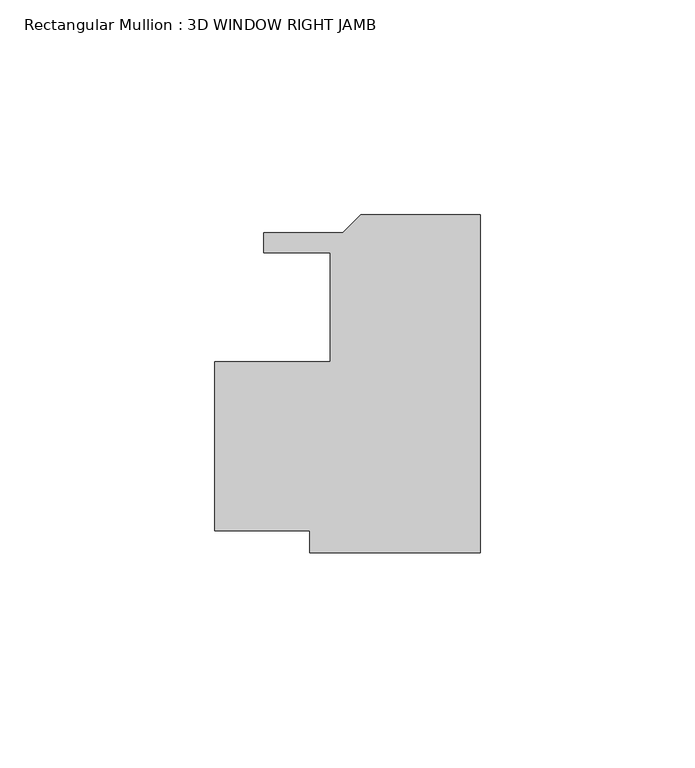
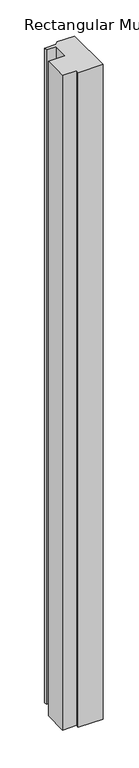
"""IFC4 building model written with IfcOpenShell, lengths in millimetres: member geometry, Rectangular Mullion : 3D WINDOW RIGHT JAMB."""

from ifc_helpers import new_model, si_unit, frame, origin, place, context, project, spatial, polyline, outline, extrude, source, transform, mapped, element, save


def rectangular_mullion_3d_window_right_jamb_41fe2dea(model_context):
    return source(origin(), model_context, "Body", "SweptSolid", [
        extrude(outline(polyline([(0.0, -57.1388465), (-39.7006057, -57.1388465), (-39.7006057, -52.0588038), (-61.9125, -52.0588038), (-61.9125, -12.6888039), (-34.9381058, -12.6888039), (-34.9381058, 12.7111961), (-50.4261495, 12.7111961), (-50.4261495, 17.4101962), (-32.0436417, 17.4101962), (-27.7764417, 21.6773962), (0.0, 21.6773962), (0.0, -57.1388465)])), frame((0.0, 0.0, -1106.4815559), z_axis=(0.0, 0.0, 1.0), x_axis=(1.0, 0.0, 0.0)), (0.0, 0.0, 1.0), 1106.4815559),
    ])


if __name__ == "__main__":
    model = new_model("IFC4")
    model_context = context("Model", 3, world=origin())
    ifc_project = project(units=[si_unit("LENGTHUNIT", "METRE", prefix="MILLI")], contexts=[model_context])
    site = spatial("IfcSite", under=ifc_project)
    building = spatial("IfcBuilding", under=site)
    placement = place(None, origin())
    rectangular_mullion_3d_window_right_jamb_shape = rectangular_mullion_3d_window_right_jamb_41fe2dea(model_context)
    element("IfcMember", 1, ObjectType="Rectangular Mullion : 3D WINDOW RIGHT JAMB", at=placement, inside=building, context=model_context, shape_type="MappedRepresentation", body=[
        mapped(rectangular_mullion_3d_window_right_jamb_shape, transform((0.0, 0.0, 0.0), x_axis=(1.0, 0.0, 0.0), y_axis=(0.0, 1.0, 0.0), z_axis=(0.0, 0.0, 1.0))),
    ])
    save(model, "model.ifc")
